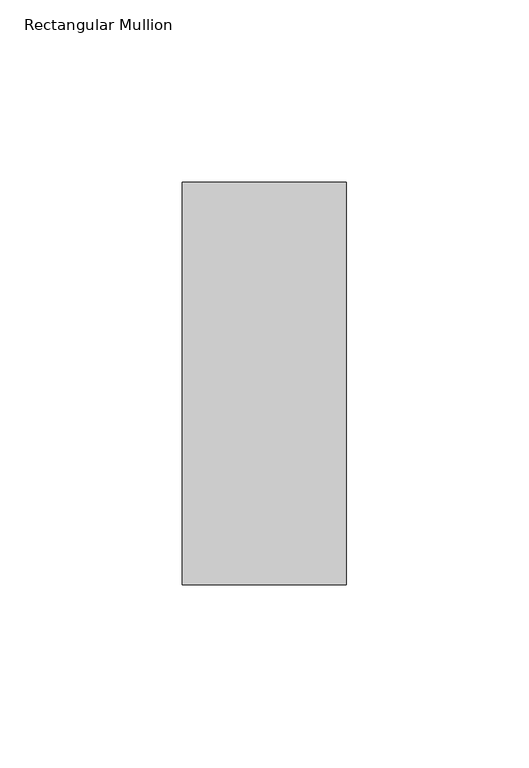
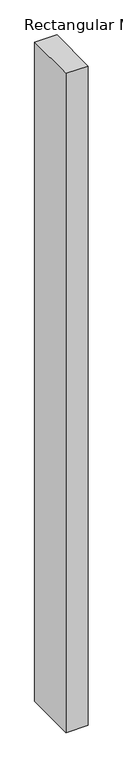
"""IFC4 building model written with IfcOpenShell, lengths in millimetres: member geometry, Rectangular Mullion."""

from ifc_helpers import new_model, si_unit, frame, origin, place, context, project, spatial, polyline, outline, extrude, source, transform, mapped, element, save


def rectangular_mullion_49d80594(model_context):
    return source(origin(), model_context, "Body", "SweptSolid", [
        extrude(outline(polyline([(22.5, 70.7), (22.5, -39.7), (-22.5, -39.7), (-22.5, 70.7), (22.5, 70.7)])), frame((0.0, 0.0, -1419.3589259), z_axis=(0.0, 0.0, 1.0), x_axis=(1.0, 0.0, 0.0)), (0.0, 0.0, 1.0), 1419.3589259),
    ])


if __name__ == "__main__":
    model = new_model("IFC4")
    model_context = context("Model", 3, world=origin())
    ifc_project = project(units=[si_unit("LENGTHUNIT", "METRE", prefix="MILLI")], contexts=[model_context])
    site = spatial("IfcSite", under=ifc_project)
    building = spatial("IfcBuilding", under=site)
    placement = place(None, origin())
    rectangular_mullion_shape = rectangular_mullion_49d80594(model_context)
    element("IfcMember", 1, ObjectType="Rectangular Mullion", at=placement, inside=building, context=model_context, shape_type="MappedRepresentation", body=[
        mapped(rectangular_mullion_shape, transform((0.0, 0.0, 0.0), x_axis=(1.0, 0.0, 0.0), y_axis=(0.0, 1.0, 0.0), z_axis=(0.0, 0.0, 1.0))),
    ])
    save(model, "model.ifc")
